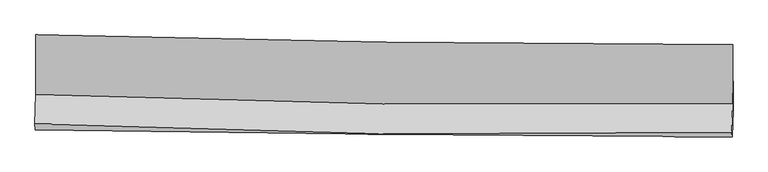
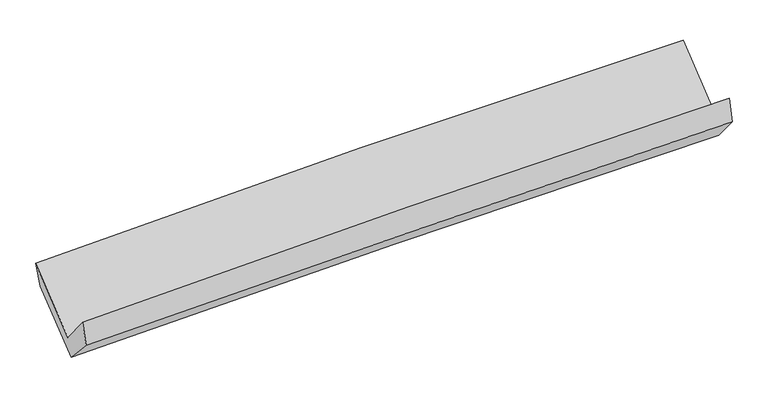
"""IFC4 building model written with IfcOpenShell, lengths in millimetres: proxy geometry."""

from ifc_helpers import new_model, si_unit, frame, origin, place, context, project, spatial, source, transform, mapped, element, save
from ifc_brep_helpers import plane_surface, spline_curve, spline_surface, advanced_brep


def generic_models_50accf78(model_context):
    return source(origin(), model_context, "Body", "AdvancedBrep", [
        advanced_brep(
        [(-3035.4425244, -1146.2362246, 2149.5470703), (-3032.0661614, -1668.0903056, 1722.909), (3023.1475327, -1744.4650659, 1882.8892735), (3021.7772557, -1231.9597984, 2301.9434775), (-3041.4997987, -1923.4850017, 2032.061868), (3013.8235363, -1996.7265401, 2188.2633605), (-3037.9018899, -1975.816623, 1836.9998839), (3017.4053263, -2035.3638374, 1978.6714149), (-3029.0892472, -1717.6689364, 1558.2789492), (3025.8546407, -1804.4239712, 1703.5396039), (-3032.120728, -1213.5262016, 1959.6778346), (3024.6759903, -1284.9627133, 2117.5238893)],
        [
            (0, 1),
            (1, 2, spline_curve(3, [(-3032.0661614, -1668.0903056, 1722.909), (-2024.365319367, -1709.189658677, 1791.548190997), (-1016.000582458, -1736.105242761, 1839.200792339), (1002.403525694, -1761.573248685, 1892.541980261), (2012.443353427, -1760.115918383, 1898.216137139), (3023.1475327, -1744.4650659, 1882.8892735)], [4, 2, 4], [0.0, 9.940086714487327, 19.88359024358107])),
            (2, 3),
            (3, 0, spline_curve(3, [(3021.7772557, -1231.9597984, 2301.9434775), (2011.01115591, -1231.705403806, 2312.915873787), (1000.773142155, -1224.432141804, 2305.697063615), (-1018.299755194, -1195.852794098, 2254.885761646), (-2027.135001103, -1174.551531759, 2211.305769389), (-3035.4425244, -1146.2362246, 2149.5470703)], [4, 2, 4], [0.0, 9.943503529093745, 19.88359024358107])),
            (1, 4),
            (4, 5, spline_curve(3, [(-3041.4997987, -1923.4850017, 2032.061868), (-2033.897186921, -1967.277266404, 2103.853913599), (-1025.572439939, -1995.278525416, 2152.768422358), (992.868175449, -2019.703229548, 2204.851317215), (2002.984540075, -2016.115816567, 2208.003972447), (3013.8235363, -1996.7265401, 2188.2633605)], [4, 2, 4], [0.0, 9.939693242207369, 19.882803163768628])),
            (5, 2),
            (4, 6),
            (6, 7, spline_curve(3, [(-3037.9018899, -1975.816623, 1836.9998839), (-2029.270519205, -1991.239166065, 1871.733950445), (-1020.432647237, -2003.912325423, 1900.905872044), (998.002949284, -2023.763287184, 1948.133540202), (2007.600816032, -2030.939199487, 1966.185462494), (3017.4053263, -2035.3638374, 1978.6714149)], [4, 2, 4], [0.0, 9.936818012876198, 19.877051716772296])),
            (7, 5),
            (6, 8),
            (8, 9, spline_curve(3, [(-3029.0892472, -1717.6689364, 1558.2789492), (-2020.297636574, -1726.295088475, 1589.970796765), (-1011.409897778, -1737.836007263, 1617.920338015), (1006.904665426, -1766.752348147, 1666.343129403), (2016.331555781, -1784.129773988, 1686.8138062), (3025.8546407, -1804.4239712, 1703.5396039)], [4, 2, 4], [0.0, 9.934878218882982, 19.87317146199928])),
            (9, 7),
            (8, 10),
            (10, 11, spline_curve(3, [(-3032.120728, -1213.5262016, 1959.6778346), (-2023.030523574, -1224.224956063, 1989.673121439), (-1013.839112806, -1235.52624918, 2017.822659792), (1005.093056784, -1259.338005454, 2070.439280297), (2014.833885649, -1271.848882761, 2094.905093878), (3024.6759903, -1284.9627133, 2117.5238893)], [4, 2, 4], [0.0, 9.936482814838385, 19.876381205475386])),
            (11, 9),
            (10, 0),
            (3, 11),
        ],
        [
            spline_surface(3, 3, [[(-3035.4425244, -1146.2362246, 2149.5470703), (-2027.135001161, -1174.551531606, 2211.305769395), (-1018.299755106, -1195.852794224, 2254.885761592), (1000.773142067, -1224.432141678, 2305.697063669), (2011.011156042, -1231.705403666, 2312.915873876), (3021.7772557, -1231.9597984, 2301.9434775)], [(-3034.317070053, -1320.187584946, 2007.33438021), (-2026.211773904, -1352.764240628, 2071.386576643), (-1017.53336423, -1375.936943698, 2116.324105126), (1001.316603286, -1403.479177391, 2167.978702582), (2011.488555199, -1407.842241866, 2174.682628315), (3022.234014713, -1402.794887562, 2162.258742847)], [(-3033.191615747, -1494.138945254, 1865.12169009), (-2025.288546688, -1530.976949612, 1931.467383861), (-1016.76697336, -1556.021093163, 1977.762448659), (1001.860064501, -1582.526213096, 2030.260341494), (2011.965954318, -1583.979080081, 2036.449382715), (3022.690773687, -1573.629976738, 2022.574008153)], [(-3032.0661614, -1668.0903056, 1722.909), (-2024.365319431, -1709.189658633, 1791.548191109), (-1016.000582485, -1736.105242637, 1839.200792193), (1002.403525721, -1761.573248809, 1892.541980406), (2012.443353475, -1760.115918281, 1898.216137154), (3023.1475327, -1744.4650659, 1882.8892735)]], [4, 4], [4, 2, 4], [0.0, 2.22986381079855], [0.0, 9.940086714487327, 19.88359024358107]),
            spline_surface(3, 3, [[(-3032.0661614, -1668.0903056, 1722.909), (-2024.365319431, -1709.189658633, 1791.548191109), (-1016.000582485, -1736.105242637, 1839.200792193), (1002.403525721, -1761.573248809, 1892.541980406), (2012.443353475, -1760.115918281, 1898.216137154), (3023.1475327, -1744.4650659, 1882.8892735)], [(-3035.210707179, -1753.221870962, 1825.959955987), (-2027.542608565, -1795.21886121, 1895.650098551), (-1019.191201576, -1822.496336913, 1943.723335596), (999.225075604, -1847.616575697, 1996.645092663), (2009.290415637, -1845.4492177, 2001.4787489), (3020.039533889, -1828.552223959, 1984.680635834)], [(-3038.355252921, -1838.353436338, 1929.010912013), (-2030.719897661, -1881.248063799, 1999.752006034), (-1022.381820719, -1908.887431203, 2048.245878996), (996.046625435, -1933.659902597, 2100.748204918), (2006.137477834, -1930.782517142, 2104.741360644), (3016.931535111, -1912.639382041, 2086.471998166)], [(-3041.4997987, -1923.4850017, 2032.061868), (-2033.897186795, -1967.277266376, 2103.853913476), (-1025.57243981, -1995.278525479, 2152.768422399), (992.868175319, -2019.703229484, 2204.851317174), (2002.984539996, -2016.115816562, 2208.00397239), (3013.8235363, -1996.7265401, 2188.2633605)]], [4, 4], [4, 2, 4], [0.0, 1.3323692543228933], [0.0, 9.939693242207369, 19.882803163768628]),
            spline_surface(3, 3, [[(-3041.4997987, -1923.4850017, 2032.061868), (-2033.897186795, -1967.277266376, 2103.853913476), (-1025.57243981, -1995.278525479, 2152.768422399), (992.868175319, -2019.703229484, 2204.851317174), (2002.984539996, -2016.115816562, 2208.00397239), (3013.8235363, -1996.7265401, 2188.2633605)], [(-3040.300495769, -1940.928875471, 1967.041206618), (-2032.354964313, -1975.264566283, 2026.480592502), (-1023.859175676, -1998.156458779, 2068.814238943), (994.579766664, -2021.056582095, 2119.278724864), (2004.52329872, -2021.056944232, 2127.397802395), (3015.017466319, -2009.605639224, 2118.399378619)], [(-3039.101192831, -1958.372749229, 1902.020545282), (-2030.812741824, -1983.251866178, 1949.107271575), (-1022.145911492, -2001.034392035, 1984.860055473), (996.291358061, -2022.409934662, 2033.70613254), (2006.062057389, -2025.99807183, 2046.791632445), (3016.211396281, -2022.484738276, 2048.535396781)], [(-3037.9018899, -1975.816623, 1836.9998839), (-2029.270519341, -1991.239166086, 1871.733950601), (-1020.432647359, -2003.912325335, 1900.905872017), (998.002949406, -2023.763287273, 1948.13354023), (2007.600816113, -2030.9391995, 1966.185462451), (3017.4053263, -2035.3638374, 1978.6714149)]], [4, 4], [4, 2, 4], [0.0, 0.8347179896235958], [0.0, 9.936818012876198, 19.877051716772296]),
            spline_surface(3, 3, [[(-3037.9018899, -1975.816623, 1836.9998839), (-2029.270519341, -1991.239166086, 1871.733950601), (-1020.432647359, -2003.912325335, 1900.905872017), (998.002949406, -2023.763287273, 1948.13354023), (2007.600816113, -2030.9391995, 1966.185462451), (3017.4053263, -2035.3638374, 1978.6714149)], [(-3034.96434233, -1889.767394137, 1744.092905694), (-2026.279558419, -1902.924473517, 1777.812899306), (-1017.425064156, -1915.220219328, 1806.577360663), (1000.970188096, -1938.092974195, 1854.203403277), (2010.511062711, -1948.669391012, 1873.061577065), (3020.221764438, -1958.383881995, 1886.960811218)], [(-3032.02679477, -1803.718165263, 1651.185927406), (-2023.288597507, -1814.609780935, 1683.89184793), (-1014.417480992, -1826.528113349, 1712.248849354), (1003.937426747, -1852.422661146, 1760.273266369), (2013.421309295, -1866.399582541, 1779.937691724), (3023.038202562, -1881.403926605, 1795.250207582)], [(-3029.0892472, -1717.6689364, 1558.2789492), (-2020.297636585, -1726.295088366, 1589.970796635), (-1011.409897789, -1737.836007343, 1617.920338001), (1006.904665437, -1766.752348068, 1666.343129417), (2016.331555893, -1784.129774053, 1686.813806338), (3025.8546407, -1804.4239712, 1703.5396039)]], [4, 4], [4, 2, 4], [0.0, 1.2631336993083169], [0.0, 9.934878218882982, 19.87317146199928]),
            spline_surface(3, 3, [[(-3029.0892472, -1717.6689364, 1558.2789492), (-2020.297636585, -1726.295088366, 1589.970796635), (-1011.409897789, -1737.836007343, 1617.920338001), (1006.904665437, -1766.752348068, 1666.343129417), (2016.331555893, -1784.129774053, 1686.813806338), (3025.8546407, -1804.4239712, 1703.5396039)], [(-3030.099740785, -1549.621358119, 1692.078577651), (-2021.208598945, -1558.938377536, 1723.204904913), (-1012.219636164, -1570.399421296, 1751.22111191), (1006.300795931, -1597.614233864, 1801.041846419), (2015.832332434, -1613.369476944, 1822.844235494), (3025.461757212, -1631.270218559, 1841.534365704)], [(-3031.110234415, -1381.573779881, 1825.878206149), (-2022.11956135, -1391.581666747, 1856.439013238), (-1013.029374552, -1402.962835238, 1884.521885787), (1005.696926411, -1428.476119648, 1935.74056339), (2015.333109038, -1442.60917986, 1958.874664639), (3025.068873788, -1458.116465941, 1979.529127496)], [(-3032.120728, -1213.5262016, 1959.6778346), (-2023.030523711, -1224.224955916, 1989.673121516), (-1013.839112927, -1235.526249191, 2017.822659697), (1005.093056905, -1259.338005444, 2070.439280392), (2014.833885579, -1271.848882752, 2094.905093795), (3024.6759903, -1284.9627133, 2117.5238893)]], [4, 4], [4, 2, 4], [0.0, 2.1173368339783156], [0.0, 9.936482814838385, 19.876381205475386]),
            spline_surface(3, 3, [[(-3032.120728, -1213.5262016, 1959.6778346), (-2023.030523711, -1224.224955916, 1989.673121516), (-1013.839112927, -1235.526249191, 2017.822659697), (1005.093056905, -1259.338005444, 2070.439280392), (2014.833885579, -1271.848882752, 2094.905093795), (3024.6759903, -1284.9627133, 2117.5238893)], [(-3033.227993484, -1191.096209264, 2022.96757984), (-2024.398682878, -1207.667147811, 2063.550670816), (-1015.325993672, -1222.301764194, 2096.84369366), (1003.653085273, -1247.702717514, 2148.858541483), (2013.559642396, -1258.467723059, 2167.575353834), (3023.70974543, -1267.295075002, 2178.997085379)], [(-3034.335258916, -1168.666216936, 2086.25732506), (-2025.766841994, -1191.109339712, 2137.428220095), (-1016.81287436, -1209.07727922, 2175.864727629), (1002.213113699, -1236.067429607, 2227.277802578), (2012.285399225, -1245.086563359, 2240.245613836), (3022.74350057, -1249.627436698, 2240.470281421)], [(-3035.4425244, -1146.2362246, 2149.5470703), (-2027.135001161, -1174.551531606, 2211.305769395), (-1018.299755106, -1195.852794224, 2254.885761592), (1000.773142067, -1224.432141678, 2305.697063669), (2011.011156042, -1231.705403666, 2312.915873876), (3021.7772557, -1231.9597984, 2301.9434775)]], [4, 4], [4, 2, 4], [0.0, 0.7845347761083223], [0.0, 9.93906106304078, 19.8815385881296]),
            plane_surface(frame((3021.114047, -1682.9836544, 2028.8051699), z_axis=(0.9997206584821723, -0.013301339898181157, 0.0195366159015632), x_axis=(-0.0017744153365688217, 0.7820300005307768, 0.6232382607960192))),
            plane_surface(frame((-3034.6867249, -1607.4705488, 1876.579101), z_axis=(-0.9997102528054631, 0.011025310041179757, -0.021397499249511915), x_axis=(0.01648797139086873, -0.33399855535507633, -0.9424293670191607))),
        ],
        [
            (0, [[1, 2, 3, 4]]),
            (1, [[5, 6, 7, -2]]),
            (2, [[8, 9, 10, -6]]),
            (3, [[11, 12, 13, -9]]),
            (4, [[14, 15, 16, -12]]),
            (5, [[17, -4, 18, -15]]),
            (6, [[-16, -18, -3, -7, -10, -13]]),
            (7, [[-17, -14, -11, -8, -5, -1]]),
        ],
    ),
    ])


if __name__ == "__main__":
    model = new_model("IFC4")
    model_context = context("Model", 3, world=origin())
    ifc_project = project(units=[si_unit("LENGTHUNIT", "METRE", prefix="MILLI")], contexts=[model_context])
    site = spatial("IfcSite", under=ifc_project)
    building = spatial("IfcBuilding", under=site)
    placement = place(None, origin())
    generic_models_shape = generic_models_50accf78(model_context)
    element("IfcBuildingElementProxy", 1, Name="Generic Models", at=placement, inside=building, context=model_context, shape_type="MappedRepresentation", body=[
        mapped(generic_models_shape, transform((0.0, 0.0, 0.0), x_axis=(1.0, 0.0, 0.0), y_axis=(0.0, 1.0, 0.0), z_axis=(0.0, 0.0, 1.0))),
    ])
    save(model, "model.ifc")
